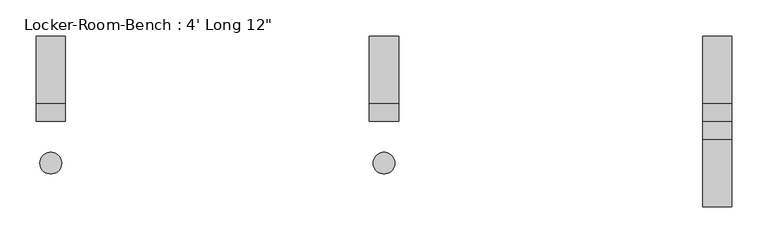
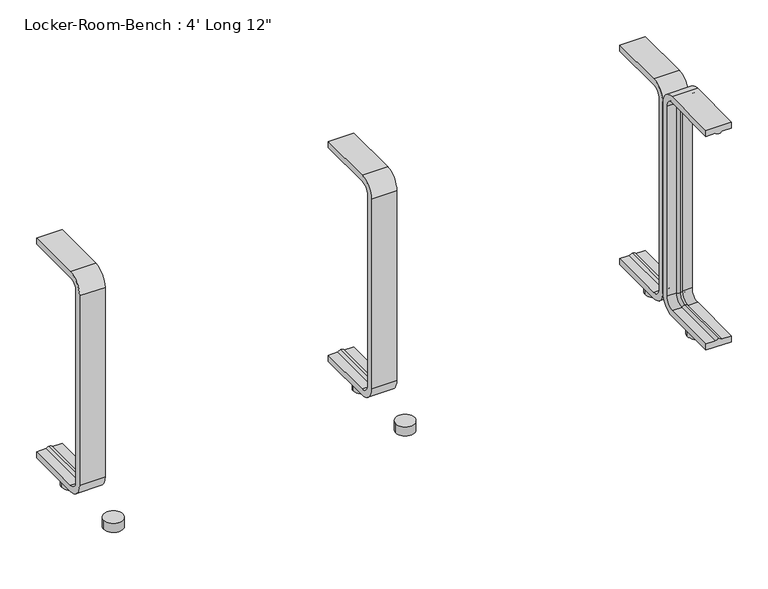
"""IFC4 building model written with IfcOpenShell, lengths in millimetres: proxy geometry."""

from ifc_helpers import new_model, si_unit, point, frame, frame_2d, origin, origin_with_axes, place, context, project, spatial, polyline, circle_curve, ellipse_curve, trimmed, segment, composite_curve, outline, extrude, source, transform, mapped, element, save
from ifc_brep_helpers import plane_surface, cylinder_surface, revolved_surface, advanced_brep


def proxy_c190577f(model_context):
    return source(origin(), model_context, "Body", "SolidModel", [
        extrude(outline(composite_curve([segment(trimmed(circle_curve(frame_2d((459.6, -57.5)), 15.0), [point((444.6, -57.5))], [point((474.6, -57.5))], False, "CARTESIAN"), True, "CONTINUOUS"), segment(trimmed(circle_curve(frame_2d((459.6, -57.5)), 15.0), [point((474.6, -57.5))], [point((444.6, -57.5))], False, "CARTESIAN"), True, "CONTINUOUS")], self_intersect=False)), origin_with_axes(), (0.0, 0.0, 1.0), 15.0),
        extrude(outline(composite_curve([segment(trimmed(circle_curve(frame_2d((459.6, 57.5)), 15.0), [point((444.6, 57.5))], [point((474.6, 57.5))], False, "CARTESIAN"), True, "CONTINUOUS"), segment(trimmed(circle_curve(frame_2d((459.6, 57.5)), 15.0), [point((474.6, 57.5))], [point((444.6, 57.5))], False, "CARTESIAN"), True, "CONTINUOUS")], self_intersect=False)), origin_with_axes(), (0.0, 0.0, 1.0), 15.0),
        extrude(outline(composite_curve([segment(trimmed(circle_curve(frame_2d((0.0, -57.5)), 15.0), [point((-15.0, -57.5))], [point((15.0, -57.5))], False, "CARTESIAN"), True, "CONTINUOUS"), segment(trimmed(circle_curve(frame_2d((0.0, -57.5)), 15.0), [point((15.0, -57.5))], [point((-15.0, -57.5))], False, "CARTESIAN"), True, "CONTINUOUS")], self_intersect=False)), origin_with_axes(), (0.0, 0.0, 1.0), 15.0),
        extrude(outline(composite_curve([segment(trimmed(circle_curve(frame_2d((0.0, 57.5)), 15.0), [point((-15.0, 57.5))], [point((15.0, 57.5))], False, "CARTESIAN"), True, "CONTINUOUS"), segment(trimmed(circle_curve(frame_2d((0.0, 57.5)), 15.0), [point((15.0, 57.5))], [point((-15.0, 57.5))], False, "CARTESIAN"), True, "CONTINUOUS")], self_intersect=False)), origin_with_axes(), (0.0, 0.0, 1.0), 15.0),
        extrude(outline(composite_curve([segment(trimmed(circle_curve(frame_2d((-459.6, -57.5)), 15.0), [point((-474.6, -57.5))], [point((-444.6, -57.5))], False, "CARTESIAN"), True, "CONTINUOUS"), segment(trimmed(circle_curve(frame_2d((-459.6, -57.5)), 15.0), [point((-444.6, -57.5))], [point((-474.6, -57.5))], False, "CARTESIAN"), True, "CONTINUOUS")], self_intersect=False)), origin_with_axes(), (0.0, 0.0, 1.0), 15.0),
        extrude(outline(composite_curve([segment(trimmed(circle_curve(frame_2d((-459.6, 57.5)), 15.0), [point((-474.6, 57.5))], [point((-444.6, 57.5))], False, "CARTESIAN"), True, "CONTINUOUS"), segment(trimmed(circle_curve(frame_2d((-459.6, 57.5)), 15.0), [point((-444.6, 57.5))], [point((-474.6, 57.5))], False, "CARTESIAN"), True, "CONTINUOUS")], self_intersect=False)), origin_with_axes(), (0.0, 0.0, 1.0), 15.0),
        advanced_brep(
        [(479.6, 117.4, 381.4), (479.6, 117.4, 371.4), (464.6, 117.4, 371.4), (459.6, 117.4, 369.0684617), (454.6, 117.4, 371.4), (439.6, 117.4, 371.4), (439.6, 117.4, 381.4), (479.6, 25.0, 381.4), (479.6, 0.0, 356.4), (479.6, 0.0, 40.0), (479.6, 25.0, 15.0), (479.6, 117.4, 15.0), (479.6, 117.4, 25.0), (479.6, 25.0, 25.0), (479.6, 10.0, 40.0), (479.6, 10.0, 356.4), (479.6, 25.0, 371.4), (464.6, 25.0, 371.4), (459.6, 25.0, 369.0684617), (454.6, 25.0, 371.4), (439.6, 25.0, 371.4), (439.6, 10.0, 356.4), (439.6, 10.0, 40.0), (439.6, 25.0, 25.0), (439.6, 117.4, 25.0), (439.6, 117.4, 15.0), (439.6, 25.0, 15.0), (439.6, 0.0, 40.0), (439.6, 0.0, 356.4), (439.6, 25.0, 381.4), (464.6, 10.0, 356.4), (459.6, 12.3315383, 356.4), (454.6, 10.0, 356.4), (464.6, 10.0, 40.0), (459.6, 12.3315383, 40.0), (454.6, 10.0, 40.0), (464.6, 25.0, 25.0), (459.6, 25.0, 27.3315383), (454.6, 25.0, 25.0), (454.6, 117.4, 25.0), (459.6, 117.4, 27.3315383), (464.6, 117.4, 25.0)],
        [
            (0, 1),
            (1, 2),
            (2, 3, circle_curve(frame((459.8996409, 117.4, 374.9529162), z_axis=(0.0, 1.0, 0.0), x_axis=(0.0, 0.0, -1.0)), 5.8920785)),
            (3, 4, circle_curve(frame((459.3003591, 117.4, 374.9529162), z_axis=(0.0, 1.0, 0.0), x_axis=(0.0, 0.0, -1.0)), 5.8920785)),
            (4, 5),
            (5, 6),
            (6, 0),
            (0, 7),
            (7, 8, circle_curve(frame((479.6, 25.0, 356.4), z_axis=(1.0, 0.0, 0.0), x_axis=(0.0, 0.0, 1.0)), 25.0)),
            (8, 9),
            (9, 10, circle_curve(frame((479.6, 25.0, 40.0), z_axis=(1.0, 0.0, 0.0), x_axis=(0.0, -1.0, 0.0)), 25.0)),
            (10, 11),
            (11, 12),
            (12, 13),
            (13, 14, circle_curve(frame((479.6, 25.0, 40.0), z_axis=(-1.0, 0.0, 0.0), x_axis=(0.0, -1.0, 0.0)), 15.0)),
            (14, 15),
            (15, 16, circle_curve(frame((479.6, 25.0, 356.4), z_axis=(-1.0, 0.0, 0.0), x_axis=(0.0, 0.0, 1.0)), 15.0)),
            (16, 1),
            (16, 17),
            (17, 2),
            (17, 18, circle_curve(frame((459.8996409, 25.0, 374.9529162), z_axis=(0.0, 1.0, 0.0), x_axis=(0.0, 0.0, -1.0)), 5.8920785)),
            (18, 3),
            (18, 19, circle_curve(frame((459.3003591, 25.0, 374.9529162), z_axis=(0.0, 1.0, 0.0), x_axis=(0.0, 0.0, -1.0)), 5.8920785)),
            (19, 4),
            (19, 20),
            (20, 5),
            (20, 21, circle_curve(frame((439.6, 25.0, 356.4), z_axis=(1.0, 0.0, 0.0), x_axis=(0.0, 0.0, 1.0)), 15.0)),
            (21, 22),
            (22, 23, circle_curve(frame((439.6, 25.0, 40.0), z_axis=(1.0, 0.0, 0.0), x_axis=(0.0, -1.0, 0.0)), 15.0)),
            (23, 24),
            (24, 25),
            (25, 26),
            (26, 27, circle_curve(frame((439.6, 25.0, 40.0), z_axis=(-1.0, 0.0, 0.0), x_axis=(0.0, -1.0, 0.0)), 25.0)),
            (27, 28),
            (28, 29, circle_curve(frame((439.6, 25.0, 356.4), z_axis=(-1.0, 0.0, 0.0), x_axis=(0.0, 0.0, 1.0)), 25.0)),
            (29, 6),
            (29, 7),
            (30, 17, circle_curve(frame((464.6, 25.0, 356.4), z_axis=(-1.0, 0.0, 0.0), x_axis=(0.0, 0.0, 1.0)), 15.0)),
            (15, 30),
            (31, 18, circle_curve(frame((459.6, 25.0, 356.4), z_axis=(-1.0, 0.0, 0.0), x_axis=(0.0, 0.0, 1.0)), 12.6684617)),
            (30, 31, circle_curve(frame((459.8996409, 6.4470838, 356.4), z_axis=(0.0, 0.0, 1.0), x_axis=(0.0, 1.0, 0.0)), 5.8920785)),
            (32, 19, circle_curve(frame((454.6, 25.0, 356.4), z_axis=(-1.0, 0.0, 0.0), x_axis=(0.0, 0.0, 1.0)), 15.0)),
            (31, 32, circle_curve(frame((459.3003591, 6.4470838, 356.4), z_axis=(0.0, 0.0, 1.0), x_axis=(0.0, 1.0, 0.0)), 5.8920785)),
            (32, 21),
            (28, 8),
            (14, 33),
            (33, 30),
            (33, 34, circle_curve(frame((459.8996409, 6.4470838, 40.0), z_axis=(0.0, 0.0, 1.0), x_axis=(0.0, 1.0, 0.0)), 5.8920785)),
            (34, 31),
            (34, 35, circle_curve(frame((459.3003591, 6.4470838, 40.0), z_axis=(0.0, 0.0, 1.0), x_axis=(0.0, 1.0, 0.0)), 5.8920785)),
            (35, 32),
            (35, 22),
            (27, 9),
            (36, 33, circle_curve(frame((464.6, 25.0, 40.0), z_axis=(-1.0, 0.0, 0.0), x_axis=(0.0, -1.0, 0.0)), 15.0)),
            (13, 36),
            (37, 34, circle_curve(frame((459.6, 25.0, 40.0), z_axis=(-1.0, 0.0, 0.0), x_axis=(0.0, -1.0, 0.0)), 12.6684617)),
            (36, 37, circle_curve(frame((459.8996409, 25.0, 21.4470838), z_axis=(0.0, -1.0, 0.0), x_axis=(0.0, 0.0, 1.0)), 5.8920785)),
            (38, 35, circle_curve(frame((454.6, 25.0, 40.0), z_axis=(-1.0, 0.0, 0.0), x_axis=(0.0, -1.0, 0.0)), 15.0)),
            (37, 38, circle_curve(frame((459.3003591, 25.0, 21.4470838), z_axis=(0.0, -1.0, 0.0), x_axis=(0.0, 0.0, 1.0)), 5.8920785)),
            (38, 23),
            (26, 10),
            (11, 25),
            (24, 39),
            (39, 40, circle_curve(frame((459.3003591, 117.4, 21.4470838), z_axis=(0.0, 1.0, 0.0), x_axis=(0.0, 0.0, 1.0)), 5.8920785)),
            (40, 41, circle_curve(frame((459.8996409, 117.4, 21.4470838), z_axis=(0.0, 1.0, 0.0), x_axis=(0.0, 0.0, 1.0)), 5.8920785)),
            (41, 12),
            (41, 36),
            (40, 37),
            (39, 38),
        ],
        [
            plane_surface(frame((459.6, 117.4, 381.4), z_axis=(0.0, 1.0, 0.0), x_axis=(1.0, 0.0, 0.0))),
            plane_surface(frame((479.6, 117.4, 381.4), z_axis=(1.0, 0.0, 0.0), x_axis=(0.0, -1.0, 0.0))),
            plane_surface(frame((479.6, 117.4, 371.4), z_axis=(0.0, 0.0, -1.0), x_axis=(0.0, -1.0, 0.0))),
            cylinder_surface(frame((459.8996409, 117.4, 374.9529162), z_axis=(0.0, 1.0, 0.0), x_axis=(0.0, 0.0, -1.0)), 5.8920785),
            cylinder_surface(frame((459.3003591, 117.4, 374.9529162), z_axis=(0.0, 1.0, 0.0), x_axis=(0.0, 0.0, -1.0)), 5.8920785),
            plane_surface(frame((454.6, 117.4, 371.4), z_axis=(0.0, 0.0, -1.0), x_axis=(0.0, -1.0, 0.0))),
            plane_surface(frame((439.6, 117.4, 371.4), z_axis=(-1.0, 0.0, 0.0), x_axis=(0.0, -1.0, 0.0))),
            plane_surface(frame((439.6, 117.4, 381.4), z_axis=(0.0, 0.0, 1.0), x_axis=(0.0, -1.0, 0.0))),
            revolved_surface(polyline([(479.6, 25.0, 371.4), (464.6, 25.0, 371.4)]), (459.6, 25.0, 356.4), (1.0, 0.0, 0.0)),
            revolved_surface(trimmed(ellipse_curve(frame((459.8996409, 25.0, 374.9529162), z_axis=(0.0, 1.0, 0.0), x_axis=(0.0, 0.0, -1.0)), 5.8920785, 5.8920785), [point((464.6, 25.0, 371.4))], [point((459.6, 25.0, 369.0684617))], True, "CARTESIAN"), (459.6, 25.0, 356.4), (1.0, 0.0, 0.0)),
            revolved_surface(trimmed(ellipse_curve(frame((459.3003591, 25.0, 374.9529162), z_axis=(0.0, 1.0, 0.0), x_axis=(0.0, 0.0, -1.0)), 5.8920785, 5.8920785), [point((459.6, 25.0, 369.0684617))], [point((454.6, 25.0, 371.4))], True, "CARTESIAN"), (459.6, 25.0, 356.4), (1.0, 0.0, 0.0)),
            revolved_surface(polyline([(454.6, 25.0, 371.4), (439.6, 25.0, 371.4)]), (459.6, 25.0, 356.4), (1.0, 0.0, 0.0)),
            cylinder_surface(frame((459.6, 25.0, 356.4), z_axis=(1.0, 0.0, 0.0), x_axis=(0.0, 0.0, 1.0)), 25.0),
            plane_surface(frame((479.6, 10.0, 356.4), z_axis=(0.0, 1.0, 0.0), x_axis=(0.0, 0.0, -1.0))),
            cylinder_surface(frame((459.8996409, 6.4470838, 356.4), z_axis=(0.0, 0.0, 1.0), x_axis=(0.0, 1.0, 0.0)), 5.8920785),
            cylinder_surface(frame((459.3003591, 6.4470838, 356.4), z_axis=(0.0, 0.0, 1.0), x_axis=(0.0, 1.0, 0.0)), 5.8920785),
            plane_surface(frame((454.6, 10.0, 356.4), z_axis=(0.0, 1.0, 0.0), x_axis=(0.0, 0.0, -1.0))),
            plane_surface(frame((439.6, 0.0, 356.4), z_axis=(0.0, -1.0, 0.0), x_axis=(0.0, 0.0, -1.0))),
            revolved_surface(polyline([(479.6, 10.0, 40.0), (464.6, 10.0, 40.0)]), (459.6, 25.0, 40.0), (1.0, 0.0, 0.0)),
            revolved_surface(trimmed(ellipse_curve(frame((459.8996409, 6.4470838, 40.0), z_axis=(0.0, 0.0, 1.0), x_axis=(0.0, 1.0, 0.0)), 5.8920785, 5.8920785), [point((464.6, 10.0, 40.0))], [point((459.6, 12.3315383, 40.0))], True, "CARTESIAN"), (459.6, 25.0, 40.0), (1.0, 0.0, 0.0)),
            revolved_surface(trimmed(ellipse_curve(frame((459.3003591, 6.4470838, 40.0), z_axis=(0.0, 0.0, 1.0), x_axis=(0.0, 1.0, 0.0)), 5.8920785, 5.8920785), [point((459.6, 12.3315383, 40.0))], [point((454.6, 10.0, 40.0))], True, "CARTESIAN"), (459.6, 25.0, 40.0), (1.0, 0.0, 0.0)),
            revolved_surface(polyline([(454.6, 10.0, 40.0), (439.6, 10.0, 40.0)]), (459.6, 25.0, 40.0), (1.0, 0.0, 0.0)),
            cylinder_surface(frame((459.6, 25.0, 40.0), z_axis=(1.0, 0.0, 0.0), x_axis=(0.0, -1.0, 0.0)), 25.0),
            plane_surface(frame((459.6, 117.4, 15.0), z_axis=(0.0, 1.0, 0.0), x_axis=(1.0, 0.0, 0.0))),
            plane_surface(frame((479.6, 25.0, 25.0), z_axis=(0.0, 0.0, 1.0), x_axis=(0.0, 1.0, 0.0))),
            cylinder_surface(frame((459.8996409, 25.0, 21.4470838), z_axis=(0.0, -1.0, 0.0), x_axis=(0.0, 0.0, 1.0)), 5.8920785),
            cylinder_surface(frame((459.3003591, 25.0, 21.4470838), z_axis=(0.0, -1.0, 0.0), x_axis=(0.0, 0.0, 1.0)), 5.8920785),
            plane_surface(frame((454.6, 25.0, 25.0), z_axis=(0.0, 0.0, 1.0), x_axis=(0.0, 1.0, 0.0))),
            plane_surface(frame((439.6, 25.0, 15.0), z_axis=(0.0, 0.0, -1.0), x_axis=(0.0, 1.0, 0.0))),
        ],
        [
            (0, [[1, 2, 3, 4, 5, 6, 7]]),
            (1, [[-1, 8, 9, 10, 11, 12, 13, 14, 15, 16, 17, 18]]),
            (2, [[-2, -18, 19, 20]]),
            (3, [[-3, -20, 21, 22]]),
            (4, [[-4, -22, 23, 24]]),
            (5, [[-5, -24, 25, 26]]),
            (6, [[-6, -26, 27, 28, 29, 30, 31, 32, 33, 34, 35, 36]]),
            (7, [[-7, -36, 37, -8]]),
            (8, [[38, -19, -17, 39]]),
            (9, [[40, -21, -38, 41]]),
            (10, [[42, -23, -40, 43]]),
            (11, [[-27, -25, -42, 44]]),
            (12, [[-9, -37, -35, 45]]),
            (13, [[-39, -16, 46, 47]]),
            (14, [[-41, -47, 48, 49]]),
            (15, [[-43, -49, 50, 51]]),
            (16, [[-44, -51, 52, -28]]),
            (17, [[-45, -34, 53, -10]]),
            (18, [[54, -46, -15, 55]]),
            (19, [[56, -48, -54, 57]]),
            (20, [[58, -50, -56, 59]]),
            (21, [[-29, -52, -58, 60]]),
            (22, [[-11, -53, -33, 61]]),
            (23, [[62, -31, 63, 64, 65, 66, -13]]),
            (24, [[-55, -14, -66, 67]]),
            (25, [[-57, -67, -65, 68]]),
            (26, [[-59, -68, -64, 69]]),
            (27, [[-60, -69, -63, -30]]),
            (28, [[-61, -32, -62, -12]]),
        ],
    ),
        advanced_brep(
        [(20.0, 117.4, 381.4), (20.0, 117.4, 371.4), (5.0, 117.4, 371.4), (0.0, 117.4, 369.0684617), (-5.0, 117.4, 371.4), (-20.0, 117.4, 371.4), (-20.0, 117.4, 381.4), (20.0, 25.0, 381.4), (20.0, 0.0, 356.4), (20.0, 0.0, 40.0), (20.0, 25.0, 15.0), (20.0, 117.4, 15.0), (20.0, 117.4, 25.0), (20.0, 25.0, 25.0), (20.0, 10.0, 40.0), (20.0, 10.0, 356.4), (20.0, 25.0, 371.4), (5.0, 25.0, 371.4), (0.0, 25.0, 369.0684617), (-5.0, 25.0, 371.4), (-20.0, 25.0, 371.4), (-20.0, 10.0, 356.4), (-20.0, 10.0, 40.0), (-20.0, 25.0, 25.0), (-20.0, 117.4, 25.0), (-20.0, 117.4, 15.0), (-20.0, 25.0, 15.0), (-20.0, 0.0, 40.0), (-20.0, 0.0, 356.4), (-20.0, 25.0, 381.4), (5.0, 10.0, 356.4), (0.0, 12.3315383, 356.4), (-5.0, 10.0, 356.4), (5.0, 10.0, 40.0), (0.0, 12.3315383, 40.0), (-5.0, 10.0, 40.0), (5.0, 25.0, 25.0), (0.0, 25.0, 27.3315383), (-5.0, 25.0, 25.0), (-5.0, 117.4, 25.0), (0.0, 117.4, 27.3315383), (5.0, 117.4, 25.0)],
        [
            (0, 1),
            (1, 2),
            (2, 3, circle_curve(frame((0.2996409, 117.4, 374.9529162), z_axis=(0.0, 1.0, 0.0), x_axis=(0.0, 0.0, -1.0)), 5.8920785)),
            (3, 4, circle_curve(frame((-0.2996409, 117.4, 374.9529162), z_axis=(0.0, 1.0, 0.0), x_axis=(0.0, 0.0, -1.0)), 5.8920785)),
            (4, 5),
            (5, 6),
            (6, 0),
            (0, 7),
            (7, 8, circle_curve(frame((20.0, 25.0, 356.4), z_axis=(1.0, 0.0, 0.0), x_axis=(0.0, 0.0, 1.0)), 25.0)),
            (8, 9),
            (9, 10, circle_curve(frame((20.0, 25.0, 40.0), z_axis=(1.0, 0.0, 0.0), x_axis=(0.0, -1.0, 0.0)), 25.0)),
            (10, 11),
            (11, 12),
            (12, 13),
            (13, 14, circle_curve(frame((20.0, 25.0, 40.0), z_axis=(-1.0, 0.0, 0.0), x_axis=(0.0, -1.0, 0.0)), 15.0)),
            (14, 15),
            (15, 16, circle_curve(frame((20.0, 25.0, 356.4), z_axis=(-1.0, 0.0, 0.0), x_axis=(0.0, 0.0, 1.0)), 15.0)),
            (16, 1),
            (16, 17),
            (17, 2),
            (17, 18, circle_curve(frame((0.2996409, 25.0, 374.9529162), z_axis=(0.0, 1.0, 0.0), x_axis=(0.0, 0.0, -1.0)), 5.8920785)),
            (18, 3),
            (18, 19, circle_curve(frame((-0.2996409, 25.0, 374.9529162), z_axis=(0.0, 1.0, 0.0), x_axis=(0.0, 0.0, -1.0)), 5.8920785)),
            (19, 4),
            (19, 20),
            (20, 5),
            (20, 21, circle_curve(frame((-20.0, 25.0, 356.4), z_axis=(1.0, 0.0, 0.0), x_axis=(0.0, 0.0, 1.0)), 15.0)),
            (21, 22),
            (22, 23, circle_curve(frame((-20.0, 25.0, 40.0), z_axis=(1.0, 0.0, 0.0), x_axis=(0.0, -1.0, 0.0)), 15.0)),
            (23, 24),
            (24, 25),
            (25, 26),
            (26, 27, circle_curve(frame((-20.0, 25.0, 40.0), z_axis=(-1.0, 0.0, 0.0), x_axis=(0.0, -1.0, 0.0)), 25.0)),
            (27, 28),
            (28, 29, circle_curve(frame((-20.0, 25.0, 356.4), z_axis=(-1.0, 0.0, 0.0), x_axis=(0.0, 0.0, 1.0)), 25.0)),
            (29, 6),
            (29, 7),
            (30, 17, circle_curve(frame((5.0, 25.0, 356.4), z_axis=(-1.0, 0.0, 0.0), x_axis=(0.0, 0.0, 1.0)), 15.0)),
            (15, 30),
            (31, 18, circle_curve(frame((0.0, 25.0, 356.4), z_axis=(-1.0, 0.0, 0.0), x_axis=(0.0, 0.0, 1.0)), 12.6684617)),
            (30, 31, circle_curve(frame((0.2996409, 6.4470838, 356.4), z_axis=(0.0, 0.0, 1.0), x_axis=(0.0, 1.0, 0.0)), 5.8920785)),
            (32, 19, circle_curve(frame((-5.0, 25.0, 356.4), z_axis=(-1.0, 0.0, 0.0), x_axis=(0.0, 0.0, 1.0)), 15.0)),
            (31, 32, circle_curve(frame((-0.2996409, 6.4470838, 356.4), z_axis=(0.0, 0.0, 1.0), x_axis=(0.0, 1.0, 0.0)), 5.8920785)),
            (32, 21),
            (28, 8),
            (14, 33),
            (33, 30),
            (33, 34, circle_curve(frame((0.2996409, 6.4470838, 40.0), z_axis=(0.0, 0.0, 1.0), x_axis=(0.0, 1.0, 0.0)), 5.8920785)),
            (34, 31),
            (34, 35, circle_curve(frame((-0.2996409, 6.4470838, 40.0), z_axis=(0.0, 0.0, 1.0), x_axis=(0.0, 1.0, 0.0)), 5.8920785)),
            (35, 32),
            (35, 22),
            (27, 9),
            (36, 33, circle_curve(frame((5.0, 25.0, 40.0), z_axis=(-1.0, 0.0, 0.0), x_axis=(0.0, -1.0, 0.0)), 15.0)),
            (13, 36),
            (37, 34, circle_curve(frame((0.0, 25.0, 40.0), z_axis=(-1.0, 0.0, 0.0), x_axis=(0.0, -1.0, 0.0)), 12.6684617)),
            (36, 37, circle_curve(frame((0.2996409, 25.0, 21.4470838), z_axis=(0.0, -1.0, 0.0), x_axis=(0.0, 0.0, 1.0)), 5.8920785)),
            (38, 35, circle_curve(frame((-5.0, 25.0, 40.0), z_axis=(-1.0, 0.0, 0.0), x_axis=(0.0, -1.0, 0.0)), 15.0)),
            (37, 38, circle_curve(frame((-0.2996409, 25.0, 21.4470838), z_axis=(0.0, -1.0, 0.0), x_axis=(0.0, 0.0, 1.0)), 5.8920785)),
            (38, 23),
            (26, 10),
            (11, 25),
            (24, 39),
            (39, 40, circle_curve(frame((-0.2996409, 117.4, 21.4470838), z_axis=(0.0, 1.0, 0.0), x_axis=(0.0, 0.0, 1.0)), 5.8920785)),
            (40, 41, circle_curve(frame((0.2996409, 117.4, 21.4470838), z_axis=(0.0, 1.0, 0.0), x_axis=(0.0, 0.0, 1.0)), 5.8920785)),
            (41, 12),
            (41, 36),
            (40, 37),
            (39, 38),
        ],
        [
            plane_surface(frame((0.0, 117.4, 381.4), z_axis=(0.0, 1.0, 0.0), x_axis=(1.0, 0.0, 0.0))),
            plane_surface(frame((20.0, 117.4, 381.4), z_axis=(1.0, 0.0, 0.0), x_axis=(0.0, -1.0, 0.0))),
            plane_surface(frame((20.0, 117.4, 371.4), z_axis=(0.0, 0.0, -1.0), x_axis=(0.0, -1.0, 0.0))),
            cylinder_surface(frame((0.2996409, 117.4, 374.9529162), z_axis=(0.0, 1.0, 0.0), x_axis=(0.0, 0.0, -1.0)), 5.8920785),
            cylinder_surface(frame((-0.2996409, 117.4, 374.9529162), z_axis=(0.0, 1.0, 0.0), x_axis=(0.0, 0.0, -1.0)), 5.8920785),
            plane_surface(frame((-5.0, 117.4, 371.4), z_axis=(0.0, 0.0, -1.0), x_axis=(0.0, -1.0, 0.0))),
            plane_surface(frame((-20.0, 117.4, 371.4), z_axis=(-1.0, 0.0, 0.0), x_axis=(0.0, -1.0, 0.0))),
            plane_surface(frame((-20.0, 117.4, 381.4), z_axis=(0.0, 0.0, 1.0), x_axis=(0.0, -1.0, 0.0))),
            revolved_surface(polyline([(20.0, 25.0, 371.4), (5.0, 25.0, 371.4)]), (0.0, 25.0, 356.4), (1.0, 0.0, 0.0)),
            revolved_surface(trimmed(ellipse_curve(frame((0.2996409, 25.0, 374.9529162), z_axis=(0.0, 1.0, 0.0), x_axis=(0.0, 0.0, -1.0)), 5.8920785, 5.8920785), [point((5.0, 25.0, 371.4))], [point((0.0, 25.0, 369.0684617))], True, "CARTESIAN"), (0.0, 25.0, 356.4), (1.0, 0.0, 0.0)),
            revolved_surface(trimmed(ellipse_curve(frame((-0.2996409, 25.0, 374.9529162), z_axis=(0.0, 1.0, 0.0), x_axis=(0.0, 0.0, -1.0)), 5.8920785, 5.8920785), [point((0.0, 25.0, 369.0684617))], [point((-5.0, 25.0, 371.4))], True, "CARTESIAN"), (0.0, 25.0, 356.4), (1.0, 0.0, 0.0)),
            revolved_surface(polyline([(-5.0, 25.0, 371.4), (-20.0, 25.0, 371.4)]), (0.0, 25.0, 356.4), (1.0, 0.0, 0.0)),
            cylinder_surface(frame((0.0, 25.0, 356.4), z_axis=(1.0, 0.0, 0.0), x_axis=(0.0, 0.0, 1.0)), 25.0),
            plane_surface(frame((20.0, 10.0, 356.4), z_axis=(0.0, 1.0, 0.0), x_axis=(0.0, 0.0, -1.0))),
            cylinder_surface(frame((0.2996409, 6.4470838, 356.4), z_axis=(0.0, 0.0, 1.0), x_axis=(0.0, 1.0, 0.0)), 5.8920785),
            cylinder_surface(frame((-0.2996409, 6.4470838, 356.4), z_axis=(0.0, 0.0, 1.0), x_axis=(0.0, 1.0, 0.0)), 5.8920785),
            plane_surface(frame((-5.0, 10.0, 356.4), z_axis=(0.0, 1.0, 0.0), x_axis=(0.0, 0.0, -1.0))),
            plane_surface(frame((-20.0, 0.0, 356.4), z_axis=(0.0, -1.0, 0.0), x_axis=(0.0, 0.0, -1.0))),
            revolved_surface(polyline([(20.0, 10.0, 40.0), (5.0, 10.0, 40.0)]), (0.0, 25.0, 40.0), (1.0, 0.0, 0.0)),
            revolved_surface(trimmed(ellipse_curve(frame((0.2996409, 6.4470838, 40.0), z_axis=(0.0, 0.0, 1.0), x_axis=(0.0, 1.0, 0.0)), 5.8920785, 5.8920785), [point((5.0, 10.0, 40.0))], [point((0.0, 12.3315383, 40.0))], True, "CARTESIAN"), (0.0, 25.0, 40.0), (1.0, 0.0, 0.0)),
            revolved_surface(trimmed(ellipse_curve(frame((-0.2996409, 6.4470838, 40.0), z_axis=(0.0, 0.0, 1.0), x_axis=(0.0, 1.0, 0.0)), 5.8920785, 5.8920785), [point((0.0, 12.3315383, 40.0))], [point((-5.0, 10.0, 40.0))], True, "CARTESIAN"), (0.0, 25.0, 40.0), (1.0, 0.0, 0.0)),
            revolved_surface(polyline([(-5.0, 10.0, 40.0), (-20.0, 10.0, 40.0)]), (0.0, 25.0, 40.0), (1.0, 0.0, 0.0)),
            cylinder_surface(frame((0.0, 25.0, 40.0), z_axis=(1.0, 0.0, 0.0), x_axis=(0.0, -1.0, 0.0)), 25.0),
            plane_surface(frame((0.0, 117.4, 15.0), z_axis=(0.0, 1.0, 0.0), x_axis=(1.0, 0.0, 0.0))),
            plane_surface(frame((20.0, 25.0, 25.0), z_axis=(0.0, 0.0, 1.0), x_axis=(0.0, 1.0, 0.0))),
            cylinder_surface(frame((0.2996409, 25.0, 21.4470838), z_axis=(0.0, -1.0, 0.0), x_axis=(0.0, 0.0, 1.0)), 5.8920785),
            cylinder_surface(frame((-0.2996409, 25.0, 21.4470838), z_axis=(0.0, -1.0, 0.0), x_axis=(0.0, 0.0, 1.0)), 5.8920785),
            plane_surface(frame((-5.0, 25.0, 25.0), z_axis=(0.0, 0.0, 1.0), x_axis=(0.0, 1.0, 0.0))),
            plane_surface(frame((-20.0, 25.0, 15.0), z_axis=(0.0, 0.0, -1.0), x_axis=(0.0, 1.0, 0.0))),
        ],
        [
            (0, [[1, 2, 3, 4, 5, 6, 7]]),
            (1, [[-1, 8, 9, 10, 11, 12, 13, 14, 15, 16, 17, 18]]),
            (2, [[-2, -18, 19, 20]]),
            (3, [[-3, -20, 21, 22]]),
            (4, [[-4, -22, 23, 24]]),
            (5, [[-5, -24, 25, 26]]),
            (6, [[-6, -26, 27, 28, 29, 30, 31, 32, 33, 34, 35, 36]]),
            (7, [[-7, -36, 37, -8]]),
            (8, [[38, -19, -17, 39]]),
            (9, [[40, -21, -38, 41]]),
            (10, [[42, -23, -40, 43]]),
            (11, [[-27, -25, -42, 44]]),
            (12, [[-9, -37, -35, 45]]),
            (13, [[-39, -16, 46, 47]]),
            (14, [[-41, -47, 48, 49]]),
            (15, [[-43, -49, 50, 51]]),
            (16, [[-44, -51, 52, -28]]),
            (17, [[-45, -34, 53, -10]]),
            (18, [[54, -46, -15, 55]]),
            (19, [[56, -48, -54, 57]]),
            (20, [[58, -50, -56, 59]]),
            (21, [[-29, -52, -58, 60]]),
            (22, [[-11, -53, -33, 61]]),
            (23, [[62, -31, 63, 64, 65, 66, -13]]),
            (24, [[-55, -14, -66, 67]]),
            (25, [[-57, -67, -65, 68]]),
            (26, [[-59, -68, -64, 69]]),
            (27, [[-60, -69, -63, -30]]),
            (28, [[-61, -32, -62, -12]]),
        ],
    ),
        advanced_brep(
        [(-439.6, 117.4, 381.4), (-439.6, 117.4, 371.4), (-454.6, 117.4, 371.4), (-459.6, 117.4, 369.0684617), (-464.6, 117.4, 371.4), (-479.6, 117.4, 371.4), (-479.6, 117.4, 381.4), (-439.6, 25.0, 381.4), (-439.6, 0.0, 356.4), (-439.6, 0.0, 40.0), (-439.6, 25.0, 15.0), (-439.6, 117.4, 15.0), (-439.6, 117.4, 25.0), (-439.6, 25.0, 25.0), (-439.6, 10.0, 40.0), (-439.6, 10.0, 356.4), (-439.6, 25.0, 371.4), (-454.6, 25.0, 371.4), (-459.6, 25.0, 369.0684617), (-464.6, 25.0, 371.4), (-479.6, 25.0, 371.4), (-479.6, 10.0, 356.4), (-479.6, 10.0, 40.0), (-479.6, 25.0, 25.0), (-479.6, 117.4, 25.0), (-479.6, 117.4, 15.0), (-479.6, 25.0, 15.0), (-479.6, 0.0, 40.0), (-479.6, 0.0, 356.4), (-479.6, 25.0, 381.4), (-454.6, 10.0, 356.4), (-459.6, 12.3315383, 356.4), (-464.6, 10.0, 356.4), (-454.6, 10.0, 40.0), (-459.6, 12.3315383, 40.0), (-464.6, 10.0, 40.0), (-454.6, 25.0, 25.0), (-459.6, 25.0, 27.3315383), (-464.6, 25.0, 25.0), (-464.6, 117.4, 25.0), (-459.6, 117.4, 27.3315383), (-454.6, 117.4, 25.0)],
        [
            (0, 1),
            (1, 2),
            (2, 3, circle_curve(frame((-459.3003591, 117.4, 374.9529162), z_axis=(0.0, 1.0, 0.0), x_axis=(0.0, 0.0, -1.0)), 5.8920785)),
            (3, 4, circle_curve(frame((-459.8996409, 117.4, 374.9529162), z_axis=(0.0, 1.0, 0.0), x_axis=(0.0, 0.0, -1.0)), 5.8920785)),
            (4, 5),
            (5, 6),
            (6, 0),
            (0, 7),
            (7, 8, circle_curve(frame((-439.6, 25.0, 356.4), z_axis=(1.0, 0.0, 0.0), x_axis=(0.0, 0.0, 1.0)), 25.0)),
            (8, 9),
            (9, 10, circle_curve(frame((-439.6, 25.0, 40.0), z_axis=(1.0, 0.0, 0.0), x_axis=(0.0, -1.0, 0.0)), 25.0)),
            (10, 11),
            (11, 12),
            (12, 13),
            (13, 14, circle_curve(frame((-439.6, 25.0, 40.0), z_axis=(-1.0, 0.0, 0.0), x_axis=(0.0, -1.0, 0.0)), 15.0)),
            (14, 15),
            (15, 16, circle_curve(frame((-439.6, 25.0, 356.4), z_axis=(-1.0, 0.0, 0.0), x_axis=(0.0, 0.0, 1.0)), 15.0)),
            (16, 1),
            (16, 17),
            (17, 2),
            (17, 18, circle_curve(frame((-459.3003591, 25.0, 374.9529162), z_axis=(0.0, 1.0, 0.0), x_axis=(0.0, 0.0, -1.0)), 5.8920785)),
            (18, 3),
            (18, 19, circle_curve(frame((-459.8996409, 25.0, 374.9529162), z_axis=(0.0, 1.0, 0.0), x_axis=(0.0, 0.0, -1.0)), 5.8920785)),
            (19, 4),
            (19, 20),
            (20, 5),
            (20, 21, circle_curve(frame((-479.6, 25.0, 356.4), z_axis=(1.0, 0.0, 0.0), x_axis=(0.0, 0.0, 1.0)), 15.0)),
            (21, 22),
            (22, 23, circle_curve(frame((-479.6, 25.0, 40.0), z_axis=(1.0, 0.0, 0.0), x_axis=(0.0, -1.0, 0.0)), 15.0)),
            (23, 24),
            (24, 25),
            (25, 26),
            (26, 27, circle_curve(frame((-479.6, 25.0, 40.0), z_axis=(-1.0, 0.0, 0.0), x_axis=(0.0, -1.0, 0.0)), 25.0)),
            (27, 28),
            (28, 29, circle_curve(frame((-479.6, 25.0, 356.4), z_axis=(-1.0, 0.0, 0.0), x_axis=(0.0, 0.0, 1.0)), 25.0)),
            (29, 6),
            (29, 7),
            (30, 17, circle_curve(frame((-454.6, 25.0, 356.4), z_axis=(-1.0, 0.0, 0.0), x_axis=(0.0, 0.0, 1.0)), 15.0)),
            (15, 30),
            (31, 18, circle_curve(frame((-459.6, 25.0, 356.4), z_axis=(-1.0, 0.0, 0.0), x_axis=(0.0, 0.0, 1.0)), 12.6684617)),
            (30, 31, circle_curve(frame((-459.3003591, 6.4470838, 356.4), z_axis=(0.0, 0.0, 1.0), x_axis=(0.0, 1.0, 0.0)), 5.8920785)),
            (32, 19, circle_curve(frame((-464.6, 25.0, 356.4), z_axis=(-1.0, 0.0, 0.0), x_axis=(0.0, 0.0, 1.0)), 15.0)),
            (31, 32, circle_curve(frame((-459.8996409, 6.4470838, 356.4), z_axis=(0.0, 0.0, 1.0), x_axis=(0.0, 1.0, 0.0)), 5.8920785)),
            (32, 21),
            (28, 8),
            (14, 33),
            (33, 30),
            (33, 34, circle_curve(frame((-459.3003591, 6.4470838, 40.0), z_axis=(0.0, 0.0, 1.0), x_axis=(0.0, 1.0, 0.0)), 5.8920785)),
            (34, 31),
            (34, 35, circle_curve(frame((-459.8996409, 6.4470838, 40.0), z_axis=(0.0, 0.0, 1.0), x_axis=(0.0, 1.0, 0.0)), 5.8920785)),
            (35, 32),
            (35, 22),
            (27, 9),
            (36, 33, circle_curve(frame((-454.6, 25.0, 40.0), z_axis=(-1.0, 0.0, 0.0), x_axis=(0.0, -1.0, 0.0)), 15.0)),
            (13, 36),
            (37, 34, circle_curve(frame((-459.6, 25.0, 40.0), z_axis=(-1.0, 0.0, 0.0), x_axis=(0.0, -1.0, 0.0)), 12.6684617)),
            (36, 37, circle_curve(frame((-459.3003591, 25.0, 21.4470838), z_axis=(0.0, -1.0, 0.0), x_axis=(0.0, 0.0, 1.0)), 5.8920785)),
            (38, 35, circle_curve(frame((-464.6, 25.0, 40.0), z_axis=(-1.0, 0.0, 0.0), x_axis=(0.0, -1.0, 0.0)), 15.0)),
            (37, 38, circle_curve(frame((-459.8996409, 25.0, 21.4470838), z_axis=(0.0, -1.0, 0.0), x_axis=(0.0, 0.0, 1.0)), 5.8920785)),
            (38, 23),
            (26, 10),
            (11, 25),
            (24, 39),
            (39, 40, circle_curve(frame((-459.8996409, 117.4, 21.4470838), z_axis=(0.0, 1.0, 0.0), x_axis=(0.0, 0.0, 1.0)), 5.8920785)),
            (40, 41, circle_curve(frame((-459.3003591, 117.4, 21.4470838), z_axis=(0.0, 1.0, 0.0), x_axis=(0.0, 0.0, 1.0)), 5.8920785)),
            (41, 12),
            (41, 36),
            (40, 37),
            (39, 38),
        ],
        [
            plane_surface(frame((-459.6, 117.4, 381.4), z_axis=(0.0, 1.0, 0.0), x_axis=(1.0, 0.0, 0.0))),
            plane_surface(frame((-439.6, 117.4, 381.4), z_axis=(1.0, 0.0, 0.0), x_axis=(0.0, -1.0, 0.0))),
            plane_surface(frame((-439.6, 117.4, 371.4), z_axis=(0.0, 0.0, -1.0), x_axis=(0.0, -1.0, 0.0))),
            cylinder_surface(frame((-459.3003591, 117.4, 374.9529162), z_axis=(0.0, 1.0, 0.0), x_axis=(0.0, 0.0, -1.0)), 5.8920785),
            cylinder_surface(frame((-459.8996409, 117.4, 374.9529162), z_axis=(0.0, 1.0, 0.0), x_axis=(0.0, 0.0, -1.0)), 5.8920785),
            plane_surface(frame((-464.6, 117.4, 371.4), z_axis=(0.0, 0.0, -1.0), x_axis=(0.0, -1.0, 0.0))),
            plane_surface(frame((-479.6, 117.4, 371.4), z_axis=(-1.0, 0.0, 0.0), x_axis=(0.0, -1.0, 0.0))),
            plane_surface(frame((-479.6, 117.4, 381.4), z_axis=(0.0, 0.0, 1.0), x_axis=(0.0, -1.0, 0.0))),
            revolved_surface(polyline([(-439.6, 25.0, 371.4), (-454.6, 25.0, 371.4)]), (-459.6, 25.0, 356.4), (1.0, 0.0, 0.0)),
            revolved_surface(trimmed(ellipse_curve(frame((-459.3003591, 25.0, 374.9529162), z_axis=(0.0, 1.0, 0.0), x_axis=(0.0, 0.0, -1.0)), 5.8920785, 5.8920785), [point((-454.6, 25.0, 371.4))], [point((-459.6, 25.0, 369.0684617))], True, "CARTESIAN"), (-459.6, 25.0, 356.4), (1.0, 0.0, 0.0)),
            revolved_surface(trimmed(ellipse_curve(frame((-459.8996409, 25.0, 374.9529162), z_axis=(0.0, 1.0, 0.0), x_axis=(0.0, 0.0, -1.0)), 5.8920785, 5.8920785), [point((-459.6, 25.0, 369.0684617))], [point((-464.6, 25.0, 371.4))], True, "CARTESIAN"), (-459.6, 25.0, 356.4), (1.0, 0.0, 0.0)),
            revolved_surface(polyline([(-464.6, 25.0, 371.4), (-479.6, 25.0, 371.4)]), (-459.6, 25.0, 356.4), (1.0, 0.0, 0.0)),
            cylinder_surface(frame((-459.6, 25.0, 356.4), z_axis=(1.0, 0.0, 0.0), x_axis=(0.0, 0.0, 1.0)), 25.0),
            plane_surface(frame((-439.6, 10.0, 356.4), z_axis=(0.0, 1.0, 0.0), x_axis=(0.0, 0.0, -1.0))),
            cylinder_surface(frame((-459.3003591, 6.4470838, 356.4), z_axis=(0.0, 0.0, 1.0), x_axis=(0.0, 1.0, 0.0)), 5.8920785),
            cylinder_surface(frame((-459.8996409, 6.4470838, 356.4), z_axis=(0.0, 0.0, 1.0), x_axis=(0.0, 1.0, 0.0)), 5.8920785),
            plane_surface(frame((-464.6, 10.0, 356.4), z_axis=(0.0, 1.0, 0.0), x_axis=(0.0, 0.0, -1.0))),
            plane_surface(frame((-479.6, 0.0, 356.4), z_axis=(0.0, -1.0, 0.0), x_axis=(0.0, 0.0, -1.0))),
            revolved_surface(polyline([(-439.6, 10.0, 40.0), (-454.6, 10.0, 40.0)]), (-459.6, 25.0, 40.0), (1.0, 0.0, 0.0)),
            revolved_surface(trimmed(ellipse_curve(frame((-459.3003591, 6.4470838, 40.0), z_axis=(0.0, 0.0, 1.0), x_axis=(0.0, 1.0, 0.0)), 5.8920785, 5.8920785), [point((-454.6, 10.0, 40.0))], [point((-459.6, 12.3315383, 40.0))], True, "CARTESIAN"), (-459.6, 25.0, 40.0), (1.0, 0.0, 0.0)),
            revolved_surface(trimmed(ellipse_curve(frame((-459.8996409, 6.4470838, 40.0), z_axis=(0.0, 0.0, 1.0), x_axis=(0.0, 1.0, 0.0)), 5.8920785, 5.8920785), [point((-459.6, 12.3315383, 40.0))], [point((-464.6, 10.0, 40.0))], True, "CARTESIAN"), (-459.6, 25.0, 40.0), (1.0, 0.0, 0.0)),
            revolved_surface(polyline([(-464.6, 10.0, 40.0), (-479.6, 10.0, 40.0)]), (-459.6, 25.0, 40.0), (1.0, 0.0, 0.0)),
            cylinder_surface(frame((-459.6, 25.0, 40.0), z_axis=(1.0, 0.0, 0.0), x_axis=(0.0, -1.0, 0.0)), 25.0),
            plane_surface(frame((-459.6, 117.4, 15.0), z_axis=(0.0, 1.0, 0.0), x_axis=(1.0, 0.0, 0.0))),
            plane_surface(frame((-439.6, 25.0, 25.0), z_axis=(0.0, 0.0, 1.0), x_axis=(0.0, 1.0, 0.0))),
            cylinder_surface(frame((-459.3003591, 25.0, 21.4470838), z_axis=(0.0, -1.0, 0.0), x_axis=(0.0, 0.0, 1.0)), 5.8920785),
            cylinder_surface(frame((-459.8996409, 25.0, 21.4470838), z_axis=(0.0, -1.0, 0.0), x_axis=(0.0, 0.0, 1.0)), 5.8920785),
            plane_surface(frame((-464.6, 25.0, 25.0), z_axis=(0.0, 0.0, 1.0), x_axis=(0.0, 1.0, 0.0))),
            plane_surface(frame((-479.6, 25.0, 15.0), z_axis=(0.0, 0.0, -1.0), x_axis=(0.0, 1.0, 0.0))),
        ],
        [
            (0, [[1, 2, 3, 4, 5, 6, 7]]),
            (1, [[-1, 8, 9, 10, 11, 12, 13, 14, 15, 16, 17, 18]]),
            (2, [[-2, -18, 19, 20]]),
            (3, [[-3, -20, 21, 22]]),
            (4, [[-4, -22, 23, 24]]),
            (5, [[-5, -24, 25, 26]]),
            (6, [[-6, -26, 27, 28, 29, 30, 31, 32, 33, 34, 35, 36]]),
            (7, [[-7, -36, 37, -8]]),
            (8, [[38, -19, -17, 39]]),
            (9, [[40, -21, -38, 41]]),
            (10, [[42, -23, -40, 43]]),
            (11, [[-27, -25, -42, 44]]),
            (12, [[-9, -37, -35, 45]]),
            (13, [[-39, -16, 46, 47]]),
            (14, [[-41, -47, 48, 49]]),
            (15, [[-43, -49, 50, 51]]),
            (16, [[-44, -51, 52, -28]]),
            (17, [[-45, -34, 53, -10]]),
            (18, [[54, -46, -15, 55]]),
            (19, [[56, -48, -54, 57]]),
            (20, [[58, -50, -56, 59]]),
            (21, [[-29, -52, -58, 60]]),
            (22, [[-11, -53, -33, 61]]),
            (23, [[62, -31, 63, 64, 65, 66, -13]]),
            (24, [[-55, -14, -66, 67]]),
            (25, [[-57, -67, -65, 68]]),
            (26, [[-59, -68, -64, 69]]),
            (27, [[-60, -69, -63, -30]]),
            (28, [[-61, -32, -62, -12]]),
        ],
    ),
        advanced_brep(
        [(479.6, -117.4, 381.4), (439.6, -117.4, 381.4), (439.6, -117.4, 371.4), (454.6, -117.4, 371.4), (459.6, -117.4, 369.0684617), (464.6, -117.4, 371.4), (479.6, -117.4, 371.4), (479.6, -25.0, 381.4), (439.6, -25.0, 381.4), (439.6, 0.0, 356.4), (439.6, 0.0, 40.0), (439.6, -25.0, 15.0), (439.6, -117.4, 15.0), (439.6, -117.4, 25.0), (439.6, -25.0, 25.0), (439.6, -10.0, 40.0), (439.6, -10.0, 356.4), (439.6, -25.0, 371.4), (454.6, -25.0, 371.4), (459.6, -25.0, 369.0684617), (464.6, -25.0, 371.4), (479.6, -25.0, 371.4), (479.6, -10.0, 356.4), (479.6, -10.0, 40.0), (479.6, -25.0, 25.0), (479.6, -117.4, 25.0), (479.6, -117.4, 15.0), (479.6, -25.0, 15.0), (479.6, 0.0, 40.0), (479.6, 0.0, 356.4), (454.6, -10.0, 356.4), (459.6, -12.3315383, 356.4), (464.6, -10.0, 356.4), (454.6, -10.0, 40.0), (459.6, -12.3315383, 40.0), (464.6, -10.0, 40.0), (454.6, -25.0, 25.0), (459.6, -25.0, 27.3315383), (464.6, -25.0, 25.0), (464.6, -117.4, 25.0), (459.6, -117.4, 27.3315383), (454.6, -117.4, 25.0)],
        [
            (0, 1),
            (1, 2),
            (2, 3),
            (3, 4, circle_curve(frame((459.3003591, -117.4, 374.9529162), z_axis=(0.0, -1.0, 0.0), x_axis=(0.0, 0.0, 1.0)), 5.8920785)),
            (4, 5, circle_curve(frame((459.8996409, -117.4, 374.9529162), z_axis=(0.0, -1.0, 0.0), x_axis=(0.0, 0.0, 1.0)), 5.8920785)),
            (5, 6),
            (6, 0),
            (0, 7),
            (7, 8),
            (8, 1),
            (8, 9, circle_curve(frame((439.6, -25.0, 356.4), z_axis=(-1.0, 0.0, 0.0), x_axis=(0.0, 0.0, 1.0)), 25.0)),
            (9, 10),
            (10, 11, circle_curve(frame((439.6, -25.0, 40.0), z_axis=(-1.0, 0.0, 0.0), x_axis=(0.0, 1.0, 0.0)), 25.0)),
            (11, 12),
            (12, 13),
            (13, 14),
            (14, 15, circle_curve(frame((439.6, -25.0, 40.0), z_axis=(1.0, 0.0, 0.0), x_axis=(0.0, 1.0, 0.0)), 15.0)),
            (15, 16),
            (16, 17, circle_curve(frame((439.6, -25.0, 356.4), z_axis=(1.0, 0.0, 0.0), x_axis=(0.0, 0.0, 1.0)), 15.0)),
            (17, 2),
            (17, 18),
            (18, 3),
            (18, 19, circle_curve(frame((459.3003591, -25.0, 374.9529162), z_axis=(0.0, -1.0, 0.0), x_axis=(0.0, 0.0, 1.0)), 5.8920785)),
            (19, 4),
            (19, 20, circle_curve(frame((459.8996409, -25.0, 374.9529162), z_axis=(0.0, -1.0, 0.0), x_axis=(0.0, 0.0, 1.0)), 5.8920785)),
            (20, 5),
            (20, 21),
            (21, 6),
            (21, 22, circle_curve(frame((479.6, -25.0, 356.4), z_axis=(-1.0, 0.0, 0.0), x_axis=(0.0, 0.0, 1.0)), 15.0)),
            (22, 23),
            (23, 24, circle_curve(frame((479.6, -25.0, 40.0), z_axis=(-1.0, 0.0, 0.0), x_axis=(0.0, 1.0, 0.0)), 15.0)),
            (24, 25),
            (25, 26),
            (26, 27),
            (27, 28, circle_curve(frame((479.6, -25.0, 40.0), z_axis=(1.0, 0.0, 0.0), x_axis=(0.0, 1.0, 0.0)), 25.0)),
            (28, 29),
            (29, 7, circle_curve(frame((479.6, -25.0, 356.4), z_axis=(1.0, 0.0, 0.0), x_axis=(0.0, 0.0, 1.0)), 25.0)),
            (29, 9),
            (30, 18, circle_curve(frame((454.6, -25.0, 356.4), z_axis=(1.0, 0.0, 0.0), x_axis=(0.0, 0.0, 1.0)), 15.0)),
            (16, 30),
            (31, 19, circle_curve(frame((459.6, -25.0, 356.4), z_axis=(1.0, 0.0, 0.0), x_axis=(0.0, 0.0, 1.0)), 12.6684617)),
            (30, 31, circle_curve(frame((459.3003591, -6.4470838, 356.4), z_axis=(0.0, 0.0, 1.0), x_axis=(0.0, 1.0, 0.0)), 5.8920785)),
            (32, 20, circle_curve(frame((464.6, -25.0, 356.4), z_axis=(1.0, 0.0, 0.0), x_axis=(0.0, 0.0, 1.0)), 15.0)),
            (31, 32, circle_curve(frame((459.8996409, -6.4470838, 356.4), z_axis=(0.0, 0.0, 1.0), x_axis=(0.0, 1.0, 0.0)), 5.8920785)),
            (32, 22),
            (28, 10),
            (15, 33),
            (33, 30),
            (33, 34, circle_curve(frame((459.3003591, -6.4470838, 40.0), z_axis=(0.0, 0.0, 1.0), x_axis=(0.0, 1.0, 0.0)), 5.8920785)),
            (34, 31),
            (34, 35, circle_curve(frame((459.8996409, -6.4470838, 40.0), z_axis=(0.0, 0.0, 1.0), x_axis=(0.0, 1.0, 0.0)), 5.8920785)),
            (35, 32),
            (35, 23),
            (27, 11),
            (36, 33, circle_curve(frame((454.6, -25.0, 40.0), z_axis=(1.0, 0.0, 0.0), x_axis=(0.0, 1.0, 0.0)), 15.0)),
            (14, 36),
            (37, 34, circle_curve(frame((459.6, -25.0, 40.0), z_axis=(1.0, 0.0, 0.0), x_axis=(0.0, 1.0, 0.0)), 12.6684617)),
            (36, 37, circle_curve(frame((459.3003591, -25.0, 21.4470838), z_axis=(0.0, 1.0, 0.0), x_axis=(0.0, 0.0, -1.0)), 5.8920785)),
            (38, 35, circle_curve(frame((464.6, -25.0, 40.0), z_axis=(1.0, 0.0, 0.0), x_axis=(0.0, 1.0, 0.0)), 15.0)),
            (37, 38, circle_curve(frame((459.8996409, -25.0, 21.4470838), z_axis=(0.0, 1.0, 0.0), x_axis=(0.0, 0.0, -1.0)), 5.8920785)),
            (38, 24),
            (25, 39),
            (39, 40, circle_curve(frame((459.8996409, -117.4, 21.4470838), z_axis=(0.0, -1.0, 0.0), x_axis=(0.0, 0.0, -1.0)), 5.8920785)),
            (40, 41, circle_curve(frame((459.3003591, -117.4, 21.4470838), z_axis=(0.0, -1.0, 0.0), x_axis=(0.0, 0.0, -1.0)), 5.8920785)),
            (41, 13),
            (12, 26),
            (41, 36),
            (40, 37),
            (39, 38),
        ],
        [
            plane_surface(frame((459.6, -117.4, 381.4), z_axis=(0.0, -1.0, 0.0), x_axis=(1.0, 0.0, 0.0))),
            plane_surface(frame((479.6, -117.4, 381.4), z_axis=(0.0, 0.0, 1.0), x_axis=(0.0, 1.0, 0.0))),
            plane_surface(frame((439.6, -117.4, 381.4), z_axis=(-1.0, 0.0, 0.0), x_axis=(0.0, 1.0, 0.0))),
            plane_surface(frame((439.6, -117.4, 371.4), z_axis=(0.0, 0.0, -1.0), x_axis=(0.0, 1.0, 0.0))),
            cylinder_surface(frame((459.3003591, -117.4, 374.9529162), z_axis=(0.0, -1.0, 0.0), x_axis=(0.0, 0.0, 1.0)), 5.8920785),
            cylinder_surface(frame((459.8996409, -117.4, 374.9529162), z_axis=(0.0, -1.0, 0.0), x_axis=(0.0, 0.0, 1.0)), 5.8920785),
            plane_surface(frame((464.6, -117.4, 371.4), z_axis=(0.0, 0.0, -1.0), x_axis=(0.0, 1.0, 0.0))),
            plane_surface(frame((479.6, -117.4, 371.4), z_axis=(1.0, 0.0, 0.0), x_axis=(0.0, 1.0, 0.0))),
            cylinder_surface(frame((459.6, -25.0, 356.4), z_axis=(-1.0, 0.0, 0.0), x_axis=(0.0, 0.0, 1.0)), 25.0),
            revolved_surface(polyline([(439.6, -25.0, 371.4), (454.6, -25.0, 371.4)]), (459.6, -25.0, 356.4), (-1.0, 0.0, 0.0)),
            revolved_surface(trimmed(ellipse_curve(frame((459.3003591, -25.0, 374.9529162), z_axis=(0.0, -1.0, 0.0), x_axis=(0.0, 0.0, 1.0)), 5.8920785, 5.8920785), [point((454.6, -25.0, 371.4))], [point((459.6, -25.0, 369.0684617))], True, "CARTESIAN"), (459.6, -25.0, 356.4), (-1.0, 0.0, 0.0)),
            revolved_surface(trimmed(ellipse_curve(frame((459.8996409, -25.0, 374.9529162), z_axis=(0.0, -1.0, 0.0), x_axis=(0.0, 0.0, 1.0)), 5.8920785, 5.8920785), [point((459.6, -25.0, 369.0684617))], [point((464.6, -25.0, 371.4))], True, "CARTESIAN"), (459.6, -25.0, 356.4), (-1.0, 0.0, 0.0)),
            revolved_surface(polyline([(464.6, -25.0, 371.4), (479.6, -25.0, 371.4)]), (459.6, -25.0, 356.4), (-1.0, 0.0, 0.0)),
            plane_surface(frame((479.6, 0.0, 356.4), z_axis=(0.0, 1.0, 0.0), x_axis=(0.0, 0.0, -1.0))),
            plane_surface(frame((439.6, -10.0, 356.4), z_axis=(0.0, -1.0, 0.0), x_axis=(0.0, 0.0, -1.0))),
            cylinder_surface(frame((459.3003591, -6.4470838, 356.4), z_axis=(0.0, 0.0, 1.0), x_axis=(0.0, 1.0, 0.0)), 5.8920785),
            cylinder_surface(frame((459.8996409, -6.4470838, 356.4), z_axis=(0.0, 0.0, 1.0), x_axis=(0.0, 1.0, 0.0)), 5.8920785),
            plane_surface(frame((464.6, -10.0, 356.4), z_axis=(0.0, -1.0, 0.0), x_axis=(0.0, 0.0, -1.0))),
            cylinder_surface(frame((459.6, -25.0, 40.0), z_axis=(-1.0, 0.0, 0.0), x_axis=(0.0, 1.0, 0.0)), 25.0),
            revolved_surface(polyline([(439.6, -10.0, 40.0), (454.6, -10.0, 40.0)]), (459.6, -25.0, 40.0), (-1.0, 0.0, 0.0)),
            revolved_surface(trimmed(ellipse_curve(frame((459.3003591, -6.4470838, 40.0), z_axis=(0.0, 0.0, 1.0), x_axis=(0.0, 1.0, 0.0)), 5.8920785, 5.8920785), [point((454.6, -10.0, 40.0))], [point((459.6, -12.3315383, 40.0))], True, "CARTESIAN"), (459.6, -25.0, 40.0), (-1.0, 0.0, 0.0)),
            revolved_surface(trimmed(ellipse_curve(frame((459.8996409, -6.4470838, 40.0), z_axis=(0.0, 0.0, 1.0), x_axis=(0.0, 1.0, 0.0)), 5.8920785, 5.8920785), [point((459.6, -12.3315383, 40.0))], [point((464.6, -10.0, 40.0))], True, "CARTESIAN"), (459.6, -25.0, 40.0), (-1.0, 0.0, 0.0)),
            revolved_surface(polyline([(464.6, -10.0, 40.0), (479.6, -10.0, 40.0)]), (459.6, -25.0, 40.0), (-1.0, 0.0, 0.0)),
            plane_surface(frame((459.6, -117.4, 15.0), z_axis=(0.0, -1.0, 0.0), x_axis=(1.0, 0.0, 0.0))),
            plane_surface(frame((479.6, -25.0, 15.0), z_axis=(0.0, 0.0, -1.0), x_axis=(0.0, -1.0, 0.0))),
            plane_surface(frame((439.6, -25.0, 25.0), z_axis=(0.0, 0.0, 1.0), x_axis=(0.0, -1.0, 0.0))),
            cylinder_surface(frame((459.3003591, -25.0, 21.4470838), z_axis=(0.0, 1.0, 0.0), x_axis=(0.0, 0.0, -1.0)), 5.8920785),
            cylinder_surface(frame((459.8996409, -25.0, 21.4470838), z_axis=(0.0, 1.0, 0.0), x_axis=(0.0, 0.0, -1.0)), 5.8920785),
            plane_surface(frame((464.6, -25.0, 25.0), z_axis=(0.0, 0.0, 1.0), x_axis=(0.0, -1.0, 0.0))),
        ],
        [
            (0, [[1, 2, 3, 4, 5, 6, 7]]),
            (1, [[-1, 8, 9, 10]]),
            (2, [[-2, -10, 11, 12, 13, 14, 15, 16, 17, 18, 19, 20]]),
            (3, [[-3, -20, 21, 22]]),
            (4, [[-4, -22, 23, 24]]),
            (5, [[-5, -24, 25, 26]]),
            (6, [[-6, -26, 27, 28]]),
            (7, [[-7, -28, 29, 30, 31, 32, 33, 34, 35, 36, 37, -8]]),
            (8, [[-11, -9, -37, 38]]),
            (9, [[39, -21, -19, 40]]),
            (10, [[41, -23, -39, 42]]),
            (11, [[43, -25, -41, 44]]),
            (12, [[-29, -27, -43, 45]]),
            (13, [[-38, -36, 46, -12]]),
            (14, [[-40, -18, 47, 48]]),
            (15, [[-42, -48, 49, 50]]),
            (16, [[-44, -50, 51, 52]]),
            (17, [[-45, -52, 53, -30]]),
            (18, [[-13, -46, -35, 54]]),
            (19, [[55, -47, -17, 56]]),
            (20, [[57, -49, -55, 58]]),
            (21, [[59, -51, -57, 60]]),
            (22, [[-31, -53, -59, 61]]),
            (23, [[-33, 62, 63, 64, 65, -15, 66]]),
            (24, [[-54, -34, -66, -14]]),
            (25, [[-56, -16, -65, 67]]),
            (26, [[-58, -67, -64, 68]]),
            (27, [[-60, -68, -63, 69]]),
            (28, [[-61, -69, -62, -32]]),
        ],
    ),
    ])


if __name__ == "__main__":
    model = new_model("IFC4")
    model_context = context("Model", 3, world=origin())
    ifc_project = project(units=[si_unit("LENGTHUNIT", "METRE", prefix="MILLI")], contexts=[model_context])
    site = spatial("IfcSite", under=ifc_project)
    building = spatial("IfcBuilding", under=site)
    placement = place(None, origin())
    proxy_shape = proxy_c190577f(model_context)
    element("IfcBuildingElementProxy", 1, Name="Locker-Room-Bench : 4' Long 12\"", ObjectType="Locker-Room-Bench : 4' Long 12\"", at=placement, inside=building, context=model_context, shape_type="MappedRepresentation", body=[
        mapped(proxy_shape, transform((0.0, 0.0, 0.0), x_axis=(1.0, 0.0, 0.0), y_axis=(0.0, 1.0, 0.0), z_axis=(0.0, 0.0, 1.0))),
    ])
    save(model, "model.ifc")
